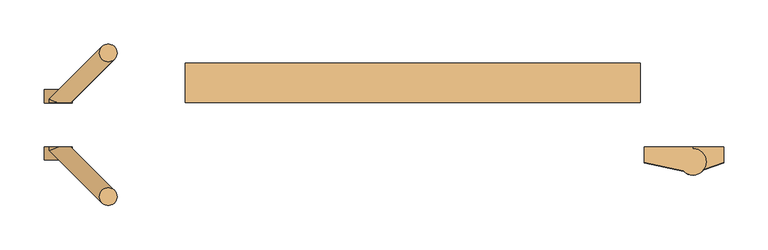
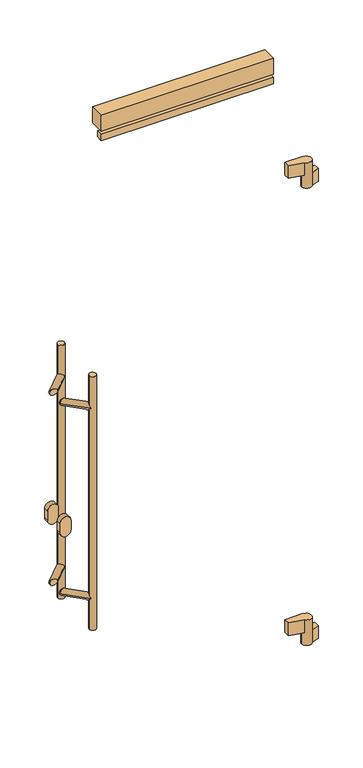
"""IFC4 building model written with IfcOpenShell, lengths in millimetres: door geometry."""

from ifc_helpers import new_model, si_unit, point, frame, frame_2d, origin, place, context, project, spatial, polyline, circle_curve, ellipse_curve, trimmed, segment, composite_curve, outline, extrude, source, transform, mapped, element, save
from ifc_brep_helpers import plane_surface, cylinder_surface, advanced_brep


def door_e608c04a(model_context):
    return source(origin(), model_context, "Body", "SolidModel", [
        extrude(outline(polyline([(-622.0, 50.0), (-622.0, 95.0), (-107.0, 95.0), (-107.0, 50.0), (-622.0, 50.0)])), frame((0.0, 0.0, 2073.0), z_axis=(0.0, 0.0, 1.0), x_axis=(1.0, 0.0, 0.0)), (0.0, 0.0, 1.0), 50.0),
        extrude(outline(polyline([(-622.0, 50.0), (-622.0, 70.0), (-107.0, 70.0), (-107.0, 50.0), (-622.0, 50.0)])), frame((0.0, 0.0, 2043.0), z_axis=(0.0, 0.0, 1.0), x_axis=(1.0, 0.0, 0.0)), (0.0, 0.0, 1.0), 20.0),
        advanced_brep(
        [(-102.0, 0.0, 380.0), (-102.0, -18.0, 380.0), (-57.5040029, -27.7082175, 380.0), (-32.0, -17.0, 380.0), (-47.0, -2.0, 380.0), (-47.0, 0.0, 380.0), (-62.0, -17.0, 300.0), (-47.0, -2.0, 300.0), (-47.0, 0.0, 300.0), (-12.0, 0.0, 300.0), (-12.0, -18.0, 300.0), (-34.8866516, -25.846852, 300.0), (-32.0, -17.0, 340.0), (-47.0, -2.0, 340.0), (-62.0, -17.0, 340.0), (-47.0, -2.0, 340.0), (-57.5040029, -27.7082175, 340.0), (-34.8866516, -25.846852, 340.0), (-102.0, 0.0, 340.0), (-47.0, 0.0, 340.0), (-102.0, -18.0, 340.0), (-12.0, -18.0, 340.0), (-12.0, 0.0, 340.0)],
        [
            (0, 1),
            (1, 2),
            (2, 3, circle_curve(frame((-47.0, -17.0, 380.0), z_axis=(0.0, 0.0, 1.0), x_axis=(1.0, 0.0, 0.0)), 15.0)),
            (3, 4, circle_curve(frame((-47.0, -17.0, 380.0), z_axis=(0.0, 0.0, 1.0), x_axis=(1.0, 0.0, 0.0)), 15.0)),
            (4, 5),
            (5, 0),
            (6, 7, circle_curve(frame((-47.0, -17.0, 300.0), z_axis=(0.0, 0.0, -1.0), x_axis=(1.0, 0.0, 0.0)), 15.0)),
            (7, 8),
            (8, 9),
            (9, 10),
            (10, 11),
            (11, 6, circle_curve(frame((-47.0, -17.0, 300.0), z_axis=(0.0, 0.0, -1.0), x_axis=(1.0, 0.0, 0.0)), 15.0)),
            (3, 12),
            (12, 13, circle_curve(frame((-47.0, -17.0, 340.0), z_axis=(0.0, 0.0, 1.0), x_axis=(1.0, 0.0, 0.0)), 15.0)),
            (13, 4),
            (14, 15, circle_curve(frame((-47.0, -17.0, 340.0), z_axis=(0.0, 0.0, -1.0), x_axis=(1.0, 0.0, 0.0)), 15.0)),
            (15, 7),
            (6, 14),
            (2, 16),
            (16, 14, circle_curve(frame((-47.0, -17.0, 340.0), z_axis=(0.0, 0.0, -1.0), x_axis=(1.0, 0.0, 0.0)), 15.0)),
            (11, 17),
            (17, 12, circle_curve(frame((-47.0, -17.0, 340.0), z_axis=(0.0, 0.0, 1.0), x_axis=(1.0, 0.0, 0.0)), 15.0)),
            (18, 19),
            (19, 15),
            (16, 20),
            (20, 18),
            (5, 19),
            (18, 0),
            (13, 19),
            (1, 20),
            (17, 21),
            (21, 22),
            (22, 19),
            (19, 8),
            (22, 9),
            (21, 10),
        ],
        [
            plane_surface(frame((-32.0, -17.0, 380.0), z_axis=(0.0, 0.0, 1.0), x_axis=(0.0, -1.0, 0.0))),
            plane_surface(frame((-32.0, -17.0, 300.0), z_axis=(0.0, 0.0, -1.0), x_axis=(0.0, 1.0, 0.0))),
            cylinder_surface(frame((-47.0, -17.0, 300.0), z_axis=(0.0, 0.0, 1.0), x_axis=(1.0, 0.0, 0.0)), 15.0),
            plane_surface(frame((-47.0, 0.0, 340.0), z_axis=(0.0, 0.0, -1.0), x_axis=(-1.0, 0.0, 0.0))),
            plane_surface(frame((-102.0, 0.0, 380.0), z_axis=(0.0, 1.0, 0.0), x_axis=(0.0, 0.0, -1.0))),
            plane_surface(frame((-47.0, 0.0, 380.0), z_axis=(1.0, 0.0, 0.0), x_axis=(0.0, 0.0, -1.0))),
            plane_surface(frame((-47.0, -30.0, 380.0), z_axis=(-0.2131670752167251, -0.9770157614099924, 0.0), x_axis=(0.0, 0.0, -1.0))),
            plane_surface(frame((-102.0, -18.0, 380.0), z_axis=(-1.0, 0.0, 0.0), x_axis=(0.0, 0.0, -1.0))),
            plane_surface(frame((-47.0, 0.0, 340.0), z_axis=(0.0, 0.0, 1.0), x_axis=(0.0, 1.0, 0.0))),
            plane_surface(frame((-47.0, -30.0, 340.0), z_axis=(-1.0, 0.0, 0.0), x_axis=(0.0, 0.0, -1.0))),
            plane_surface(frame((-47.0, 0.0, 340.0), z_axis=(0.0, 1.0, 0.0), x_axis=(0.0, 0.0, -1.0))),
            plane_surface(frame((-12.0, 0.0, 340.0), z_axis=(1.0, 0.0, 0.0), x_axis=(0.0, 0.0, -1.0))),
            plane_surface(frame((-12.0, -18.0, 340.0), z_axis=(0.32432432432432523, -0.9459459459459457, 0.0), x_axis=(0.0, 0.0, -1.0))),
        ],
        [
            (0, [[1, 2, 3, 4, 5, 6]]),
            (1, [[7, 8, 9, 10, 11, 12]]),
            (2, [[13, 14, 15, -4]]),
            (2, [[16, 17, -7, 18]]),
            (2, [[19, 20, -18, -12, 21, 22, -13, -3]]),
            (3, [[23, 24, -16, -20, 25, 26]]),
            (4, [[27, -23, 28, -6]]),
            (5, [[-5, -15, 29, -27]]),
            (6, [[-25, -19, -2, 30]]),
            (7, [[-28, -26, -30, -1]]),
            (8, [[-29, -14, -22, 31, 32, 33]]),
            (9, [[-8, -17, -24, 34]]),
            (10, [[35, -9, -34, -33]]),
            (11, [[36, -10, -35, -32]]),
            (12, [[-31, -21, -11, -36]]),
        ],
    ),
        advanced_brep(
        [(-102.0, 0.0, 1823.0), (-102.0, -18.0, 1823.0), (-57.5040029, -27.7082175, 1823.0), (-32.0, -17.0, 1823.0), (-47.0, -2.0, 1823.0), (-47.0, 0.0, 1823.0), (-62.0, -17.0, 1743.0), (-47.0, -2.0, 1743.0), (-47.0, 0.0, 1743.0), (-12.0, 0.0, 1743.0), (-12.0, -18.0, 1743.0), (-34.8866516, -25.846852, 1743.0), (-32.0, -17.0, 1783.0), (-47.0, -2.0, 1783.0), (-62.0, -17.0, 1783.0), (-47.0, -2.0, 1783.0), (-57.5040029, -27.7082175, 1783.0), (-34.8866516, -25.846852, 1783.0), (-102.0, 0.0, 1783.0), (-47.0, 0.0, 1783.0), (-102.0, -18.0, 1783.0), (-12.0, -18.0, 1783.0), (-12.0, 0.0, 1783.0)],
        [
            (0, 1),
            (1, 2),
            (2, 3, circle_curve(frame((-47.0, -17.0, 1823.0), z_axis=(0.0, 0.0, 1.0), x_axis=(1.0, 0.0, 0.0)), 15.0)),
            (3, 4, circle_curve(frame((-47.0, -17.0, 1823.0), z_axis=(0.0, 0.0, 1.0), x_axis=(1.0, 0.0, 0.0)), 15.0)),
            (4, 5),
            (5, 0),
            (6, 7, circle_curve(frame((-47.0, -17.0, 1743.0), z_axis=(0.0, 0.0, -1.0), x_axis=(1.0, 0.0, 0.0)), 15.0)),
            (7, 8),
            (8, 9),
            (9, 10),
            (10, 11),
            (11, 6, circle_curve(frame((-47.0, -17.0, 1743.0), z_axis=(0.0, 0.0, -1.0), x_axis=(1.0, 0.0, 0.0)), 15.0)),
            (3, 12),
            (12, 13, circle_curve(frame((-47.0, -17.0, 1783.0), z_axis=(0.0, 0.0, 1.0), x_axis=(1.0, 0.0, 0.0)), 15.0)),
            (13, 4),
            (14, 15, circle_curve(frame((-47.0, -17.0, 1783.0), z_axis=(0.0, 0.0, -1.0), x_axis=(1.0, 0.0, 0.0)), 15.0)),
            (15, 7),
            (6, 14),
            (2, 16),
            (16, 14, circle_curve(frame((-47.0, -17.0, 1783.0), z_axis=(0.0, 0.0, -1.0), x_axis=(1.0, 0.0, 0.0)), 15.0)),
            (11, 17),
            (17, 12, circle_curve(frame((-47.0, -17.0, 1783.0), z_axis=(0.0, 0.0, 1.0), x_axis=(1.0, 0.0, 0.0)), 15.0)),
            (18, 19),
            (19, 15),
            (16, 20),
            (20, 18),
            (18, 0),
            (5, 19),
            (13, 19),
            (1, 20),
            (17, 21),
            (21, 22),
            (22, 19),
            (19, 8),
            (22, 9),
            (21, 10),
        ],
        [
            plane_surface(frame((-32.0, -17.0, 1823.0), z_axis=(0.0, 0.0, 1.0), x_axis=(0.0, -1.0, 0.0))),
            plane_surface(frame((-32.0, -17.0, 1743.0), z_axis=(0.0, 0.0, -1.0), x_axis=(0.0, 1.0, 0.0))),
            cylinder_surface(frame((-47.0, -17.0, 1743.0), z_axis=(0.0, 0.0, 1.0), x_axis=(1.0, 0.0, 0.0)), 15.0),
            plane_surface(frame((-47.0, 0.0, 1783.0), z_axis=(0.0, 0.0, -1.0), x_axis=(-1.0, 0.0, 0.0))),
            plane_surface(frame((-102.0, 0.0, 1823.0), z_axis=(0.0, 1.0, 0.0), x_axis=(0.0, 0.0, -1.0))),
            plane_surface(frame((-47.0, 0.0, 1823.0), z_axis=(1.0, 0.0, 0.0), x_axis=(0.0, 0.0, -1.0))),
            plane_surface(frame((-47.0, -30.0, 1823.0), z_axis=(-0.2131670752167257, -0.9770157614099922, 0.0), x_axis=(0.0, 0.0, -1.0))),
            plane_surface(frame((-102.0, -18.0, 1823.0), z_axis=(-1.0, 0.0, 0.0), x_axis=(0.0, 0.0, -1.0))),
            plane_surface(frame((-47.0, 0.0, 1783.0), z_axis=(0.0, 0.0, 1.0), x_axis=(0.0, 1.0, 0.0))),
            plane_surface(frame((-47.0, -30.0, 1783.0), z_axis=(-1.0, 0.0, 0.0), x_axis=(0.0, 0.0, -1.0))),
            plane_surface(frame((-47.0, 0.0, 1783.0), z_axis=(0.0, 1.0, 0.0), x_axis=(0.0, 0.0, -1.0))),
            plane_surface(frame((-12.0, 0.0, 1783.0), z_axis=(1.0, 0.0, 0.0), x_axis=(0.0, 0.0, -1.0))),
            plane_surface(frame((-12.0, -18.0, 1783.0), z_axis=(0.32432432432432523, -0.9459459459459457, 0.0), x_axis=(0.0, 0.0, -1.0))),
        ],
        [
            (0, [[1, 2, 3, 4, 5, 6]]),
            (1, [[7, 8, 9, 10, 11, 12]]),
            (2, [[13, 14, 15, -4]]),
            (2, [[16, 17, -7, 18]]),
            (2, [[19, 20, -18, -12, 21, 22, -13, -3]]),
            (3, [[23, 24, -16, -20, 25, 26]]),
            (4, [[27, -6, 28, -23]]),
            (5, [[-5, -15, 29, -28]]),
            (6, [[-25, -19, -2, 30]]),
            (7, [[-30, -1, -27, -26]]),
            (8, [[-29, -14, -22, 31, 32, 33]]),
            (9, [[-8, -17, -24, 34]]),
            (10, [[-34, -33, 35, -9]]),
            (11, [[-35, -32, 36, -10]]),
            (12, [[-31, -21, -11, -36]]),
        ],
    ),
        advanced_brep(
        [(-719.4314575, -56.5685425, 1400.0), (-699.4314575, -56.5685425, 1400.0), (-719.4314575, -56.5685425, 600.0), (-699.4314575, -56.5685425, 600.0), (-719.4314575, -56.5685425, 692.9289322), (-702.3603897, -49.4974747, 700.0), (-719.4314575, -56.5685425, 707.0710678), (-719.4314575, -56.5685425, 1292.9289322), (-702.3603897, -49.4974747, 1300.0), (-719.4314575, -56.5685425, 1307.0710678), (-716.5025253, -63.6396103, 1300.0), (-716.5025253, -63.6396103, 700.0), (-766.0, 0.0, 710.0), (-776.0, 0.0, 700.0), (-776.0, -4.1421356, 700.0), (-766.0, 0.0, 690.0), (-751.8578644, 0.0, 700.0), (-766.0, 0.0, 1310.0), (-776.0, 0.0, 1300.0), (-776.0, -4.1421356, 1300.0), (-766.0, 0.0, 1290.0), (-751.8578644, 0.0, 1300.0)],
        [
            (0, 1, circle_curve(frame((-709.4314575, -56.5685425, 1400.0), z_axis=(0.0, 0.0, 1.0), x_axis=(1.0, 0.0, 0.0)), 10.0)),
            (1, 0, circle_curve(frame((-709.4314575, -56.5685425, 1400.0), z_axis=(0.0, 0.0, 1.0), x_axis=(1.0, 0.0, 0.0)), 10.0)),
            (2, 3, circle_curve(frame((-709.4314575, -56.5685425, 600.0), z_axis=(0.0, 0.0, -1.0), x_axis=(1.0, 0.0, 0.0)), 10.0)),
            (3, 2, circle_curve(frame((-709.4314575, -56.5685425, 600.0), z_axis=(0.0, 0.0, -1.0), x_axis=(1.0, 0.0, 0.0)), 10.0)),
            (1, 3),
            (2, 4),
            (4, 5, ellipse_curve(frame((-709.4314575, -56.5685425, 700.0), z_axis=(0.5000000000000154, -0.49999999999998673, -0.7071067811865459), x_axis=(0.500000000000011, -0.49999999999998673, 0.7071067811865491)), 14.1421356, 10.0)),
            (5, 6, ellipse_curve(frame((-709.4314575, -56.5685425, 700.0), z_axis=(0.5000000000000111, -0.49999999999998673, 0.707106781186549), x_axis=(-0.5000000000000154, 0.4999999999999866, 0.707106781186546)), 14.1421356, 10.0)),
            (6, 7),
            (7, 8, ellipse_curve(frame((-709.4314575, -56.5685425, 1300.0), z_axis=(0.5000000000000154, -0.49999999999998673, -0.7071067811865459), x_axis=(0.500000000000011, -0.49999999999998673, 0.7071067811865491)), 14.1421356, 10.0)),
            (8, 9, ellipse_curve(frame((-709.4314575, -56.5685425, 1300.0), z_axis=(0.5000000000000111, -0.49999999999998673, 0.707106781186549), x_axis=(-0.5000000000000154, 0.4999999999999866, 0.707106781186546)), 14.1421356, 10.0)),
            (9, 0),
            (9, 10, ellipse_curve(frame((-709.4314575, -56.5685425, 1300.0), z_axis=(0.5000000000000111, -0.49999999999998673, 0.707106781186549), x_axis=(-0.5000000000000154, 0.4999999999999866, 0.707106781186546)), 14.1421356, 10.0)),
            (10, 7, ellipse_curve(frame((-709.4314575, -56.5685425, 1300.0), z_axis=(0.5000000000000154, -0.49999999999998673, -0.7071067811865459), x_axis=(0.500000000000011, -0.49999999999998673, 0.7071067811865491)), 14.1421356, 10.0)),
            (6, 11, ellipse_curve(frame((-709.4314575, -56.5685425, 700.0), z_axis=(0.5000000000000111, -0.49999999999998673, 0.707106781186549), x_axis=(-0.5000000000000154, 0.4999999999999866, 0.707106781186546)), 14.1421356, 10.0)),
            (11, 4, ellipse_curve(frame((-709.4314575, -56.5685425, 700.0), z_axis=(0.5000000000000154, -0.49999999999998673, -0.7071067811865459), x_axis=(0.500000000000011, -0.49999999999998673, 0.7071067811865491)), 14.1421356, 10.0)),
            (12, 13, circle_curve(frame((-766.0, 0.0, 700.0), z_axis=(0.0, -1.0, 0.0), x_axis=(-1.0, 0.0, 0.0)), 10.0)),
            (13, 14),
            (14, 12, ellipse_curve(frame((-766.0, 0.0, 700.0), z_axis=(-0.382683432365102, 0.9238795325112817, 0.0), x_axis=(0.9238795325112816, 0.38268343236510177, 0.0)), 10.823922, 10.0)),
            (13, 15, circle_curve(frame((-766.0, 0.0, 700.0), z_axis=(0.0, -1.0, 0.0), x_axis=(-1.0, 0.0, 0.0)), 10.0)),
            (15, 14, ellipse_curve(frame((-766.0, 0.0, 700.0), z_axis=(-0.382683432365102, 0.9238795325112817, 0.0), x_axis=(0.9238795325112816, 0.38268343236510177, 0.0)), 10.823922, 10.0)),
            (5, 16),
            (16, 12, ellipse_curve(frame((-766.0, 0.0, 700.0), z_axis=(0.0, -1.0, 0.0), x_axis=(-1.0, 0.0, 0.0)), 14.1421356, 10.0)),
            (14, 11),
            (15, 16, ellipse_curve(frame((-766.0, 0.0, 700.0), z_axis=(0.0, -1.0, 0.0), x_axis=(-1.0, 0.0, 0.0)), 14.1421356, 10.0)),
            (17, 18, circle_curve(frame((-766.0, 0.0, 1300.0), z_axis=(0.0, -1.0, 0.0), x_axis=(-1.0, 0.0, 0.0)), 10.0)),
            (18, 19),
            (19, 17, ellipse_curve(frame((-766.0, 0.0, 1300.0), z_axis=(-0.382683432365102, 0.9238795325112817, 0.0), x_axis=(0.9238795325112816, 0.38268343236510177, 0.0)), 10.823922, 10.0)),
            (18, 20, circle_curve(frame((-766.0, 0.0, 1300.0), z_axis=(0.0, -1.0, 0.0), x_axis=(-1.0, 0.0, 0.0)), 10.0)),
            (20, 19, ellipse_curve(frame((-766.0, 0.0, 1300.0), z_axis=(-0.382683432365102, 0.9238795325112817, 0.0), x_axis=(0.9238795325112816, 0.38268343236510177, 0.0)), 10.823922, 10.0)),
            (8, 21),
            (21, 17, ellipse_curve(frame((-766.0, 0.0, 1300.0), z_axis=(0.0, -1.0, 0.0), x_axis=(-1.0, 0.0, 0.0)), 14.1421356, 10.0)),
            (19, 10),
            (20, 21, ellipse_curve(frame((-766.0, 0.0, 1300.0), z_axis=(0.0, -1.0, 0.0), x_axis=(-1.0, 0.0, 0.0)), 14.1421356, 10.0)),
        ],
        [
            plane_surface(frame((-699.4314575, -56.5685425, 1400.0), z_axis=(0.0, 0.0, 1.0), x_axis=(0.0, -1.0, 0.0))),
            plane_surface(frame((-699.4314575, -56.5685425, 600.0), z_axis=(0.0, 0.0, -1.0), x_axis=(0.0, 1.0, 0.0))),
            cylinder_surface(frame((-709.4314575, -56.5685425, 600.0), z_axis=(0.0, 0.0, 1.0), x_axis=(1.0, 0.0, 0.0)), 10.0),
            cylinder_surface(frame((-766.0, 50.0, 700.0), z_axis=(0.0, 1.0, 0.0), x_axis=(-1.0, 0.0, 0.0)), 10.0),
            cylinder_surface(frame((-766.0, 0.0, 700.0), z_axis=(-0.7071067811865663, 0.7071067811865288, 0.0), x_axis=(-0.7071067811865288, -0.7071067811865663, 0.0)), 10.0),
            cylinder_surface(frame((-766.0, 50.0, 1300.0), z_axis=(0.0, 1.0, 0.0), x_axis=(-1.0, 0.0, 0.0)), 10.0),
            cylinder_surface(frame((-766.0, 0.0, 1300.0), z_axis=(-0.7071067811865663, 0.7071067811865288, 0.0), x_axis=(-0.7071067811865288, -0.7071067811865663, 0.0)), 10.0),
            plane_surface(frame((-796.0, 0.0, 650.0), z_axis=(0.0, 1.0, 0.0), x_axis=(0.0, 0.0, 1.0))),
        ],
        [
            (0, [[1, 2]]),
            (1, [[3, 4]]),
            (2, [[5, -3, 6, 7, 8, 9, 10, 11, 12, -2]]),
            (2, [[-12, 13, 14, -9, 15, 16, -6, -4, -5, -1]]),
            (3, [[17, 18, 19]]),
            (3, [[20, 21, -18]]),
            (4, [[-15, -8, 22, 23, -19, 24]]),
            (4, [[-21, 25, -22, -7, -16, -24]]),
            (5, [[26, 27, 28]]),
            (5, [[29, 30, -27]]),
            (6, [[-13, -11, 31, 32, -28, 33]]),
            (6, [[-30, 34, -31, -10, -14, -33]]),
            (7, [[-23, -25, -20, -17]]),
            (7, [[-32, -34, -29, -26]]),
        ],
    ),
        advanced_brep(
        [(-719.4314575, 106.5685425, 1400.0), (-699.4314575, 106.5685425, 1400.0), (-719.4314575, 106.5685425, 600.0), (-699.4314575, 106.5685425, 600.0), (-719.4314575, 106.5685425, 692.9289322), (-716.5025253, 113.6396103, 700.0), (-719.4314575, 106.5685425, 707.0710678), (-719.4314575, 106.5685425, 1292.9289322), (-716.5025253, 113.6396103, 1300.0), (-719.4314575, 106.5685425, 1307.0710678), (-702.3603897, 99.4974747, 1300.0), (-702.3603897, 99.4974747, 700.0), (-776.0, 54.1421356, 700.0), (-766.0, 50.0, 710.0), (-751.8578644, 50.0, 700.0), (-766.0, 50.0, 690.0), (-776.0, 50.0, 700.0), (-776.0, 54.1421356, 1300.0), (-766.0, 50.0, 1310.0), (-751.8578644, 50.0, 1300.0), (-766.0, 50.0, 1290.0), (-776.0, 50.0, 1300.0)],
        [
            (0, 1, circle_curve(frame((-709.4314575, 106.5685425, 1400.0), z_axis=(0.0, 0.0, 1.0), x_axis=(1.0, 0.0, 0.0)), 10.0)),
            (1, 0, circle_curve(frame((-709.4314575, 106.5685425, 1400.0), z_axis=(0.0, 0.0, 1.0), x_axis=(1.0, 0.0, 0.0)), 10.0)),
            (2, 3, circle_curve(frame((-709.4314575, 106.5685425, 600.0), z_axis=(0.0, 0.0, -1.0), x_axis=(1.0, 0.0, 0.0)), 10.0)),
            (3, 2, circle_curve(frame((-709.4314575, 106.5685425, 600.0), z_axis=(0.0, 0.0, -1.0), x_axis=(1.0, 0.0, 0.0)), 10.0)),
            (1, 3),
            (2, 4),
            (4, 5, ellipse_curve(frame((-709.4314575, 106.5685425, 700.0), z_axis=(0.49999999999996964, 0.5000000000000321, -0.7071067811865464), x_axis=(0.4999999999999657, 0.5000000000000326, 0.7071067811865487)), 14.1421356, 10.0)),
            (5, 6, ellipse_curve(frame((-709.4314575, 106.5685425, 700.0), z_axis=(0.49999999999996575, 0.5000000000000326, 0.7071067811865487), x_axis=(-0.49999999999996964, -0.500000000000032, 0.7071067811865462)), 14.1421356, 10.0)),
            (6, 7),
            (7, 8, ellipse_curve(frame((-709.4314575, 106.5685425, 1300.0), z_axis=(0.49999999999996964, 0.5000000000000321, -0.7071067811865464), x_axis=(0.4999999999999657, 0.5000000000000326, 0.7071067811865487)), 14.1421356, 10.0)),
            (8, 9, ellipse_curve(frame((-709.4314575, 106.5685425, 1300.0), z_axis=(0.49999999999996575, 0.5000000000000326, 0.7071067811865487), x_axis=(-0.49999999999996964, -0.500000000000032, 0.7071067811865462)), 14.1421356, 10.0)),
            (9, 0),
            (9, 10, ellipse_curve(frame((-709.4314575, 106.5685425, 1300.0), z_axis=(0.49999999999996575, 0.5000000000000326, 0.7071067811865487), x_axis=(-0.49999999999996964, -0.500000000000032, 0.7071067811865462)), 14.1421356, 10.0)),
            (10, 7, ellipse_curve(frame((-709.4314575, 106.5685425, 1300.0), z_axis=(0.49999999999996964, 0.5000000000000321, -0.7071067811865464), x_axis=(0.4999999999999657, 0.5000000000000326, 0.7071067811865487)), 14.1421356, 10.0)),
            (6, 11, ellipse_curve(frame((-709.4314575, 106.5685425, 700.0), z_axis=(0.49999999999996575, 0.5000000000000326, 0.7071067811865487), x_axis=(-0.49999999999996964, -0.500000000000032, 0.7071067811865462)), 14.1421356, 10.0)),
            (11, 4, ellipse_curve(frame((-709.4314575, 106.5685425, 700.0), z_axis=(0.49999999999996964, 0.5000000000000321, -0.7071067811865464), x_axis=(0.4999999999999657, 0.5000000000000326, 0.7071067811865487)), 14.1421356, 10.0)),
            (12, 13, ellipse_curve(frame((-766.0, 50.0, 700.0), z_axis=(0.3826834323650601, 0.9238795325112992, 0.0), x_axis=(0.9238795325112987, -0.38268343236506064, 0.0)), 10.823922, 10.0)),
            (13, 14, ellipse_curve(frame((-766.0, 50.0, 700.0), z_axis=(0.0, 1.0, 0.0), x_axis=(1.0, 0.0, 0.0)), 14.1421356, 10.0)),
            (14, 11),
            (5, 12),
            (14, 15, ellipse_curve(frame((-766.0, 50.0, 700.0), z_axis=(0.0, 1.0, 0.0), x_axis=(1.0, 0.0, 0.0)), 14.1421356, 10.0)),
            (15, 12, ellipse_curve(frame((-766.0, 50.0, 700.0), z_axis=(0.3826834323650601, 0.9238795325112992, 0.0), x_axis=(0.9238795325112987, -0.38268343236506064, 0.0)), 10.823922, 10.0)),
            (12, 16),
            (16, 13, circle_curve(frame((-766.0, 50.0, 700.0), z_axis=(0.0, 1.0, 0.0), x_axis=(-1.0, 0.0, 0.0)), 10.0)),
            (15, 16, circle_curve(frame((-766.0, 50.0, 700.0), z_axis=(0.0, 1.0, 0.0), x_axis=(-1.0, 0.0, 0.0)), 10.0)),
            (17, 18, ellipse_curve(frame((-766.0, 50.0, 1300.0), z_axis=(0.3826834323650601, 0.9238795325112992, 0.0), x_axis=(0.9238795325112987, -0.38268343236506064, 0.0)), 10.823922, 10.0)),
            (18, 19, ellipse_curve(frame((-766.0, 50.0, 1300.0), z_axis=(0.0, 1.0, 0.0), x_axis=(1.0, 0.0, 0.0)), 14.1421356, 10.0)),
            (19, 10),
            (8, 17),
            (19, 20, ellipse_curve(frame((-766.0, 50.0, 1300.0), z_axis=(0.0, 1.0, 0.0), x_axis=(1.0, 0.0, 0.0)), 14.1421356, 10.0)),
            (20, 17, ellipse_curve(frame((-766.0, 50.0, 1300.0), z_axis=(0.3826834323650601, 0.9238795325112992, 0.0), x_axis=(0.9238795325112987, -0.38268343236506064, 0.0)), 10.823922, 10.0)),
            (17, 21),
            (21, 18, circle_curve(frame((-766.0, 50.0, 1300.0), z_axis=(0.0, 1.0, 0.0), x_axis=(-1.0, 0.0, 0.0)), 10.0)),
            (20, 21, circle_curve(frame((-766.0, 50.0, 1300.0), z_axis=(0.0, 1.0, 0.0), x_axis=(-1.0, 0.0, 0.0)), 10.0)),
        ],
        [
            plane_surface(frame((-699.4314575, -56.5685425, 1400.0), z_axis=(0.0, 0.0, 1.0), x_axis=(0.0, -1.0, 0.0))),
            plane_surface(frame((-699.4314575, -56.5685425, 600.0), z_axis=(0.0, 0.0, -1.0), x_axis=(0.0, 1.0, 0.0))),
            cylinder_surface(frame((-709.4314575, 106.5685425, 1000.0), z_axis=(0.0, 0.0, 1.0), x_axis=(1.0, 0.0, 0.0)), 10.0),
            cylinder_surface(frame((-709.4314575, 106.5685425, 700.0), z_axis=(0.7071067811865018, 0.7071067811865933, 0.0), x_axis=(-0.7071067811865933, 0.7071067811865018, 0.0)), 10.0),
            cylinder_surface(frame((-766.0, 50.0, 700.0), z_axis=(0.0, 1.0, 0.0), x_axis=(-1.0, 0.0, 0.0)), 10.0),
            cylinder_surface(frame((-709.4314575, 106.5685425, 1300.0), z_axis=(0.7071067811865018, 0.7071067811865933, 0.0), x_axis=(-0.7071067811865933, 0.7071067811865018, 0.0)), 10.0),
            cylinder_surface(frame((-766.0, 50.0, 1300.0), z_axis=(0.0, 1.0, 0.0), x_axis=(-1.0, 0.0, 0.0)), 10.0),
            plane_surface(frame((-736.0, 50.0, 650.0), z_axis=(0.0, -1.0, 0.0), x_axis=(0.0, 0.0, 1.0))),
        ],
        [
            (0, [[1, 2]]),
            (1, [[3, 4]]),
            (2, [[5, -3, 6, 7, 8, 9, 10, 11, 12, -2]]),
            (2, [[-12, 13, 14, -9, 15, 16, -6, -4, -5, -1]]),
            (3, [[17, 18, 19, -15, -8, 20]]),
            (3, [[-7, -16, -19, 21, 22, -20]]),
            (4, [[23, 24, -17]]),
            (4, [[25, -23, -22]]),
            (5, [[26, 27, 28, -13, -11, 29]]),
            (5, [[-10, -14, -28, 30, 31, -29]]),
            (6, [[32, 33, -26]]),
            (6, [[34, -32, -31]]),
            (7, [[-24, -25, -21, -18]]),
            (7, [[-33, -34, -30, -27]]),
        ],
    ),
        extrude(outline(composite_curve([segment(polyline([(930.0, -782.0), (900.0, -782.0)]), True, "CONTINUOUS"), segment(trimmed(circle_curve(frame_2d((900.0, -766.0)), 16.0), [point((900.0, -782.0))], [point((900.0, -750.0))], False, "CARTESIAN"), True, "CONTINUOUS"), segment(polyline([(900.0, -750.0), (930.0, -750.0)]), True, "CONTINUOUS"), segment(trimmed(circle_curve(frame_2d((930.0, -766.0)), 16.0), [point((930.0, -750.0))], [point((930.0, -782.0))], False, "CARTESIAN"), True, "CONTINUOUS")], self_intersect=False)), frame((0.0, -15.0, 0.0), z_axis=(0.0, 1.0, 0.0), x_axis=(0.0, 0.0, 1.0)), (0.0, 0.0, 1.0), 15.0),
        extrude(outline(composite_curve([segment(polyline([(900.0, -750.0), (930.0, -750.0)]), True, "CONTINUOUS"), segment(trimmed(circle_curve(frame_2d((930.0, -766.0)), 16.0), [point((930.0, -750.0))], [point((930.0, -782.0))], False, "CARTESIAN"), True, "CONTINUOUS"), segment(polyline([(930.0, -782.0), (900.0, -782.0)]), True, "CONTINUOUS"), segment(trimmed(circle_curve(frame_2d((900.0, -766.0)), 16.0), [point((900.0, -782.0))], [point((900.0, -750.0))], False, "CARTESIAN"), True, "CONTINUOUS")], self_intersect=False)), frame((0.0, 50.0, 0.0), z_axis=(0.0, 1.0, 0.0), x_axis=(0.0, 0.0, 1.0)), (0.0, 0.0, 1.0), 15.0),
    ])


if __name__ == "__main__":
    model = new_model("IFC4")
    model_context = context("Model", 3, world=origin())
    ifc_project = project(units=[si_unit("LENGTHUNIT", "METRE", prefix="MILLI")], contexts=[model_context])
    site = spatial("IfcSite", under=ifc_project)
    building = spatial("IfcBuilding", under=site)
    placement = place(None, origin())
    door_shape = door_e608c04a(model_context)
    element("IfcDoor", 1, at=placement, inside=building, context=model_context, shape_type="MappedRepresentation", body=[
        mapped(door_shape, transform((0.0, 0.0, 0.0), x_axis=(1.0, 0.0, 0.0), y_axis=(0.0, 1.0, 0.0), z_axis=(0.0, 0.0, 1.0))),
    ])
    save(model, "model.ifc")
